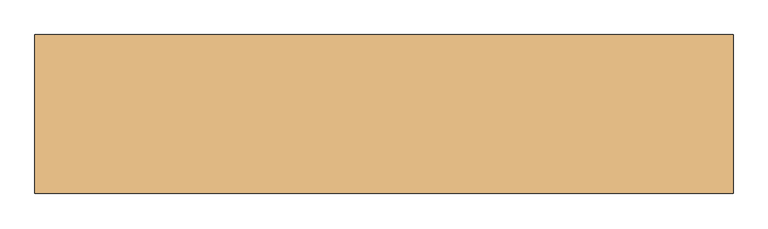
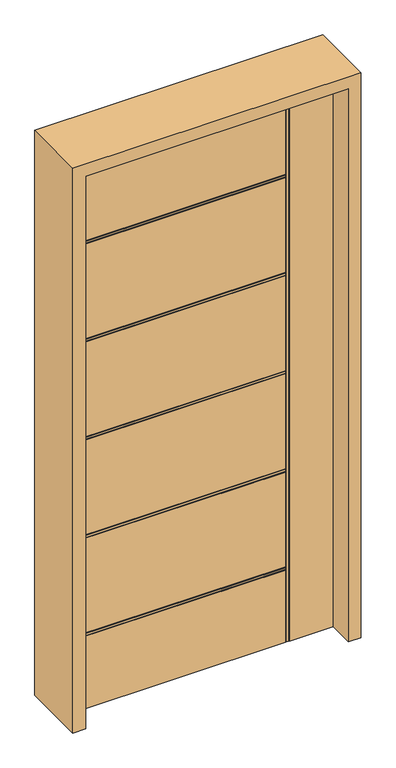
"""IFC4 building model written with IfcOpenShell, lengths in millimetres: door geometry."""

from ifc_helpers import new_model, si_unit, frame, origin, place, context, project, spatial, polyline, outline, extrude, faceted_brep, source, transform, mapped, element, save


def door_caf25443(model_context):
    return source(origin(), model_context, "Body", "SolidModel", [
        faceted_brep([(-457.2, 22.225, 0.0), (292.1, 22.225, 0.0), (292.1, 18.923, 0.0), (295.402, 18.923, 0.0), (295.402, 22.225, 0.0), (301.498, 22.225, 0.0), (301.498, 18.923, 0.0), (304.8, 18.923, 0.0), (304.8, 22.225, 0.0), (457.2, 22.225, 0.0), (457.2, -22.225, 0.0), (304.8, -22.225, 0.0), (304.8, -18.923, 0.0), (301.498, -18.923, 0.0), (301.498, -22.225, 0.0), (295.402, -22.225, 0.0), (295.402, -18.923, 0.0), (292.1, -18.923, 0.0), (292.1, -22.225, 0.0), (-457.2, -22.225, 0.0), (-457.2, 22.225, 2032.0), (-457.2, 22.225, 1719.838), (-457.2, 18.923, 1719.838), (-457.2, 18.923, 1716.536), (-457.2, 22.225, 1716.536), (-457.2, 22.225, 1710.44), (-457.2, 18.923, 1710.44), (-457.2, 18.923, 1707.138), (-457.2, 22.225, 1707.138), (-457.2, 22.225, 1359.412), (-457.2, 18.923, 1359.412), (-457.2, 18.923, 1356.11), (-457.2, 22.225, 1356.11), (-457.2, 22.225, 1350.014), (-457.2, 18.923, 1350.014), (-457.2, 18.923, 1346.712), (-457.2, 22.225, 1346.712), (-457.2, 22.225, 998.986), (-457.2, 18.923, 998.986), (-457.2, 18.923, 995.684), (-457.2, 22.225, 995.684), (-457.2, 22.225, 989.588), (-457.2, 18.923, 989.588), (-457.2, 18.923, 986.286), (-457.2, 22.225, 986.286), (-457.2, 22.225, 638.56), (-457.2, 18.923, 638.56), (-457.2, 18.923, 635.258), (-457.2, 22.225, 635.258), (-457.2, 22.225, 629.162), (-457.2, 18.923, 629.162), (-457.2, 18.923, 625.86), (-457.2, 22.225, 625.86), (-457.2, 22.225, 278.134), (-457.2, 18.923, 278.134), (-457.2, 18.923, 274.832), (-457.2, 22.225, 274.832), (-457.2, 22.225, 268.736), (-457.2, 18.923, 268.736), (-457.2, 18.923, 265.434), (-457.2, 22.225, 265.434), (-457.2, -22.225, 265.434), (-457.2, -18.923, 265.434), (-457.2, -18.923, 268.736), (-457.2, -22.225, 268.736), (-457.2, -22.225, 274.832), (-457.2, -18.923, 274.832), (-457.2, -18.923, 278.134), (-457.2, -22.225, 278.134), (-457.2, -22.225, 625.86), (-457.2, -18.923, 625.86), (-457.2, -18.923, 629.162), (-457.2, -22.225, 629.162), (-457.2, -22.225, 635.258), (-457.2, -18.923, 635.258), (-457.2, -18.923, 638.56), (-457.2, -22.225, 638.56), (-457.2, -22.225, 986.286), (-457.2, -18.923, 986.286), (-457.2, -18.923, 989.588), (-457.2, -22.225, 989.588), (-457.2, -22.225, 995.684), (-457.2, -18.923, 995.684), (-457.2, -18.923, 998.986), (-457.2, -22.225, 998.986), (-457.2, -22.225, 1346.712), (-457.2, -18.923, 1346.712), (-457.2, -18.923, 1350.014), (-457.2, -22.225, 1350.014), (-457.2, -22.225, 1356.11), (-457.2, -18.923, 1356.11), (-457.2, -18.923, 1359.412), (-457.2, -22.225, 1359.412), (-457.2, -22.225, 1707.138), (-457.2, -18.923, 1707.138), (-457.2, -18.923, 1710.44), (-457.2, -22.225, 1710.44), (-457.2, -22.225, 1716.536), (-457.2, -18.923, 1716.536), (-457.2, -18.923, 1719.838), (-457.2, -22.225, 1719.838), (-457.2, -22.225, 2032.0), (292.1, -22.225, 1719.838), (292.1, -22.225, 2032.0), (292.1, -22.225, 265.434), (292.1, -22.225, 998.986), (292.1, -22.225, 1346.712), (292.1, -22.225, 989.588), (292.1, -22.225, 995.684), (292.1, -22.225, 638.56), (292.1, -22.225, 986.286), (292.1, -22.225, 629.162), (292.1, -22.225, 635.258), (292.1, -22.225, 278.134), (292.1, -22.225, 625.86), (292.1, -22.225, 268.736), (292.1, -22.225, 274.832), (295.402, -22.225, 2032.0), (301.498, -22.225, 2032.0), (292.1, -22.225, 1710.44), (292.1, -22.225, 1716.536), (292.1, -22.225, 1350.014), (292.1, -22.225, 1356.11), (292.1, -22.225, 1359.412), (292.1, -22.225, 1707.138), (457.2, -22.225, 2032.0), (304.8, -22.225, 2032.0), (457.2, 22.225, 2032.0), (304.8, 22.225, 2032.0), (292.1, 22.225, 265.434), (292.1, 22.225, 274.832), (292.1, 22.225, 268.736), (292.1, 22.225, 625.86), (292.1, 22.225, 278.134), (292.1, 22.225, 635.258), (292.1, 22.225, 629.162), (292.1, 22.225, 986.286), (292.1, 22.225, 638.56), (292.1, 22.225, 995.684), (292.1, 22.225, 989.588), (292.1, 22.225, 1346.712), (292.1, 22.225, 998.986), (292.1, 22.225, 2032.0), (292.1, 22.225, 1719.838), (301.498, 22.225, 2032.0), (295.402, 22.225, 2032.0), (292.1, 22.225, 1716.536), (292.1, 22.225, 1710.44), (292.1, 22.225, 1356.11), (292.1, 22.225, 1350.014), (292.1, 22.225, 1707.138), (292.1, 22.225, 1359.412), (304.8, 18.923, 2032.0), (301.498, 18.923, 2032.0), (295.402, 18.923, 2032.0), (292.1, 18.923, 2032.0), (292.1, -18.923, 2032.0), (295.402, -18.923, 2032.0), (301.498, -18.923, 2032.0), (304.8, -18.923, 2032.0), (292.1, -18.923, 265.434), (292.1, -18.923, 1719.838), (292.1, -18.923, 1716.536), (292.1, -18.923, 1710.44), (292.1, -18.923, 1707.138), (292.1, -18.923, 1359.412), (292.1, -18.923, 1356.11), (292.1, -18.923, 1350.014), (292.1, -18.923, 1346.712), (292.1, -18.923, 998.986), (292.1, -18.923, 995.684), (292.1, -18.923, 989.588), (292.1, -18.923, 986.286), (292.1, -18.923, 638.56), (292.1, -18.923, 635.258), (292.1, -18.923, 629.162), (292.1, -18.923, 625.86), (292.1, -18.923, 278.134), (292.1, -18.923, 274.832), (292.1, -18.923, 268.736), (292.1, 18.923, 265.434), (292.1, 18.923, 268.736), (292.1, 18.923, 274.832), (292.1, 18.923, 278.134), (292.1, 18.923, 625.86), (292.1, 18.923, 629.162), (292.1, 18.923, 635.258), (292.1, 18.923, 638.56), (292.1, 18.923, 986.286), (292.1, 18.923, 989.588), (292.1, 18.923, 995.684), (292.1, 18.923, 998.986), (292.1, 18.923, 1346.712), (292.1, 18.923, 1350.014), (292.1, 18.923, 1356.11), (292.1, 18.923, 1359.412), (292.1, 18.923, 1707.138), (292.1, 18.923, 1710.44), (292.1, 18.923, 1716.536), (292.1, 18.923, 1719.838)], [[[0, 1, 2, 3, 4, 5, 6, 7, 8, 9, 10, 11, 12, 13, 14, 15, 16, 17, 18, 19]], [[20, 21, 22, 23, 24, 25, 26, 27, 28, 29, 30, 31, 32, 33, 34, 35, 36, 37, 38, 39, 40, 41, 42, 43, 44, 45, 46, 47, 48, 49, 50, 51, 52, 53, 54, 55, 56, 57, 58, 59, 60, 0, 19, 61, 62, 63, 64, 65, 66, 67, 68, 69, 70, 71, 72, 73, 74, 75, 76, 77, 78, 79, 80, 81, 82, 83, 84, 85, 86, 87, 88, 89, 90, 91, 92, 93, 94, 95, 96, 97, 98, 99, 100, 101]], [[101, 100, 102, 103]], [[18, 104, 61, 19]], [[84, 105, 106, 85]], [[80, 107, 108, 81]], [[76, 109, 110, 77]], [[72, 111, 112, 73]], [[68, 113, 114, 69]], [[64, 115, 116, 65]], [[117, 15, 14, 118]], [[96, 119, 120, 97]], [[88, 121, 122, 89]], [[92, 123, 124, 93]], [[125, 126, 11, 10]], [[125, 10, 9, 127]], [[9, 8, 128, 127]], [[0, 60, 129, 1]], [[56, 130, 131, 57]], [[52, 132, 133, 53]], [[48, 134, 135, 49]], [[44, 136, 137, 45]], [[40, 138, 139, 41]], [[36, 140, 141, 37]], [[142, 143, 21, 20]], [[144, 5, 4, 145]], [[24, 146, 147, 25]], [[32, 148, 149, 33]], [[28, 150, 151, 29]], [[127, 128, 152, 153, 144, 145, 154, 155, 142, 20, 101, 103, 156, 157, 117, 118, 158, 159, 126, 125]], [[160, 104, 18, 17]], [[17, 16, 157, 156, 161, 99, 98, 162, 163, 95, 94, 164, 165, 91, 90, 166, 167, 87, 86, 168, 169, 83, 82, 170, 171, 79, 78, 172, 173, 75, 74, 174, 175, 71, 70, 176, 177, 67, 66, 178, 179, 63, 62, 160]], [[13, 12, 159, 158]], [[16, 15, 117, 157]], [[158, 118, 14, 13]], [[12, 11, 126, 159]], [[62, 61, 104, 160]], [[66, 65, 116, 178]], [[178, 116, 115, 179]], [[179, 115, 64, 63]], [[70, 69, 114, 176]], [[176, 114, 113, 177]], [[177, 113, 68, 67]], [[74, 73, 112, 174]], [[174, 112, 111, 175]], [[175, 111, 72, 71]], [[78, 77, 110, 172]], [[172, 110, 109, 173]], [[173, 109, 76, 75]], [[82, 81, 108, 170]], [[170, 108, 107, 171]], [[171, 107, 80, 79]], [[168, 106, 105, 169]], [[169, 105, 84, 83]], [[164, 124, 123, 165]], [[94, 93, 124, 164]], [[163, 119, 96, 95]], [[162, 120, 119, 163]], [[98, 97, 120, 162]], [[161, 102, 100, 99]], [[156, 103, 102, 161]], [[86, 85, 106, 168]], [[167, 121, 88, 87]], [[166, 122, 121, 167]], [[90, 89, 122, 166]], [[165, 123, 92, 91]], [[152, 128, 8, 7]], [[7, 6, 153, 152]], [[3, 2, 180, 59, 58, 181, 182, 55, 54, 183, 184, 51, 50, 185, 186, 47, 46, 187, 188, 43, 42, 189, 190, 39, 38, 191, 192, 35, 34, 193, 194, 31, 30, 195, 196, 27, 26, 197, 198, 23, 22, 199, 155, 154]], [[6, 5, 144, 153]], [[154, 145, 4, 3]], [[2, 1, 129, 180]], [[180, 129, 60, 59]], [[58, 57, 131, 181]], [[181, 131, 130, 182]], [[182, 130, 56, 55]], [[54, 53, 133, 183]], [[183, 133, 132, 184]], [[184, 132, 52, 51]], [[50, 49, 135, 185]], [[185, 135, 134, 186]], [[186, 134, 48, 47]], [[46, 45, 137, 187]], [[187, 137, 136, 188]], [[188, 136, 44, 43]], [[42, 41, 139, 189]], [[189, 139, 138, 190]], [[190, 138, 40, 39]], [[38, 37, 141, 191]], [[191, 141, 140, 192]], [[195, 151, 150, 196]], [[196, 150, 28, 27]], [[26, 25, 147, 197]], [[197, 147, 146, 198]], [[198, 146, 24, 23]], [[22, 21, 143, 199]], [[199, 143, 142, 155]], [[192, 140, 36, 35]], [[34, 33, 149, 193]], [[193, 149, 148, 194]], [[194, 148, 32, 31]], [[30, 29, 151, 195]]]),
        extrude(outline(polyline([(0.0, -457.2), (2032.0, -457.2), (2032.0, 457.2), (0.0, 457.2), (0.0, 501.65), (2076.45, 501.65), (2076.45, -501.65), (0.0, -501.65), (0.0, -457.2)])), frame((0.0, -114.3, 0.0), z_axis=(0.0, 1.0, 0.0), x_axis=(0.0, 0.0, 1.0)), (0.0, 0.0, 1.0), 228.6),
    ])


if __name__ == "__main__":
    model = new_model("IFC4")
    model_context = context("Model", 3, world=origin())
    ifc_project = project(units=[si_unit("LENGTHUNIT", "METRE", prefix="MILLI")], contexts=[model_context])
    site = spatial("IfcSite", under=ifc_project)
    building = spatial("IfcBuilding", under=site)
    placement = place(None, origin())
    door_shape = door_caf25443(model_context)
    element("IfcDoor", 1, at=placement, inside=building, context=model_context, shape_type="MappedRepresentation", body=[
        mapped(door_shape, transform((0.0, 0.0, 0.0), x_axis=(1.0, 0.0, 0.0), y_axis=(0.0, 1.0, 0.0), z_axis=(0.0, 0.0, 1.0))),
    ])
    save(model, "model.ifc")
